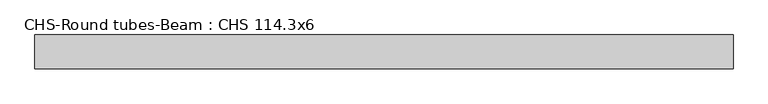
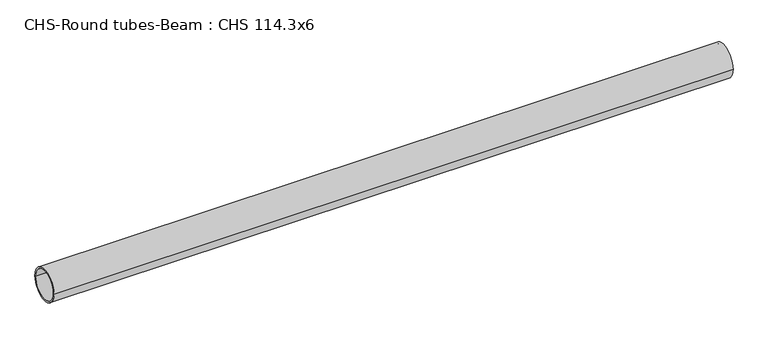
"""IFC4 building model written with IfcOpenShell, lengths in millimetres: beam geometry, CHS-Round tubes-Beam : CHS 114.3x6."""

import ifcopenshell
import ifcopenshell.guid

model = None  # the IFC model being written
_history = None  # IfcOwnerHistory: only IFC2X3 demands one
_inside = {}  # id of a spatial element -> (the spatial element, [elements in it])
_under = {}  # id of a project, library or spatial element -> (it, [spatial elements below it])
_declared = {}  # id of a project -> (the project, [libraries it declares])
_typed = {}  # id of a type object -> (the type object, [elements of that type])
_made_of = {}  # id of a material, layer set ... -> (it, [elements and type objects made of it])


def new_model(schema):
    """Start an empty IFC model of exactly this schema.

    Asked for "IFC4X3", IfcOpenShell would pick the latest addendum, in which some entities
    have other attributes; the version numbers below select the first issue.
    IFC2X3 requires an IfcOwnerHistory on every rooted entity: one is made here for all.
    """
    global model, _history
    if schema == "IFC4X3":
        model = ifcopenshell.file(schema_version=(4, 3, 0, 0))
    else:
        model = ifcopenshell.file(schema=schema)
    _inside.clear()
    _under.clear()
    _declared.clear()
    _typed.clear()
    _made_of.clear()
    _history = None
    if model.schema == "IFC2X3":
        org = make("IfcOrganization", Name="unknown")
        user = make(
            "IfcPersonAndOrganization",
            ThePerson=make("IfcPerson", FamilyName="unknown"),
            TheOrganization=org,
        )
        app = make(
            "IfcApplication",
            ApplicationDeveloper=org,
            Version="unknown",
            ApplicationFullName="unknown",
            ApplicationIdentifier="unknown",
        )
        _history = make(
            "IfcOwnerHistory",
            OwningUser=user,
            OwningApplication=app,
            ChangeAction="ADDED",
            CreationDate=0,
        )
    return model


def make(cls, **values):
    """One entity of the class cls with the attributes given. An attribute that is None is left unset."""
    return model.create_entity(
        cls, **{name: value for name, value in values.items() if value is not None}
    )


def rooted(cls, **values):
    """An entity with a GlobalId (a new one), such as an element, a storey or a relation."""
    return make(cls, GlobalId=ifcopenshell.guid.new(), OwnerHistory=_history, **values)


def si_unit(unit_type, name, prefix=None):
    """IfcSIUnit, for example si_unit("LENGTHUNIT", "METRE", prefix="MILLI")."""
    return make("IfcSIUnit", UnitType=unit_type, Prefix=prefix, Name=name)


def assignment(units):
    """IfcUnitAssignment: the units of a project."""
    return None if units is None else make("IfcUnitAssignment", Units=units)


def point(xyz):
    """IfcCartesianPoint."""
    return None if xyz is None else make("IfcCartesianPoint", Coordinates=xyz)


def direction(xyz):
    """IfcDirection."""
    return None if xyz is None else make("IfcDirection", DirectionRatios=xyz)


def frame(location, z_axis=None, x_axis=None):
    """IfcAxis2Placement3D, a coordinate frame: its origin and axes. An axis left out is left unset."""
    return make(
        "IfcAxis2Placement3D",
        Location=point(location),
        Axis=direction(z_axis),
        RefDirection=direction(x_axis),
    )


def frame_2d(location, x_axis=None):
    """IfcAxis2Placement2D, a coordinate frame in the plane: its origin and x axis."""
    return make(
        "IfcAxis2Placement2D", Location=point(location), RefDirection=direction(x_axis)
    )


def origin():
    """The frame at (0, 0, 0) with its axes left unset."""
    return frame((0.0, 0.0, 0.0))


def origin_2d():
    """The frame at (0, 0) in the plane with its x axis left unset."""
    return frame_2d((0.0, 0.0))


def place(relative_to, where):
    """IfcLocalPlacement: puts the frame where relative to a parent placement (None: the world)."""
    return make(
        "IfcLocalPlacement", PlacementRelTo=relative_to, RelativePlacement=where
    )


def context(
    kind, dimensions, precision=None, world=None, true_north=None, identifier=None
):
    """IfcGeometricRepresentationContext, for example the 3D "Model" context."""
    return make(
        "IfcGeometricRepresentationContext",
        ContextIdentifier=identifier,
        ContextType=kind,
        CoordinateSpaceDimension=dimensions,
        Precision=precision,
        WorldCoordinateSystem=world,
        TrueNorth=true_north,
    )


def project(units=None, contexts=None):
    """IfcProject with its units and contexts."""
    return rooted(
        "IfcProject",
        Name="project",
        RepresentationContexts=contexts,
        UnitsInContext=assignment(units),
    )


def spatial(cls, under=None, at=None, **own):
    """A site, building, storey or space (cls), placed at a placement, below another one or the project."""
    s = rooted(cls, ObjectPlacement=at, **own)
    if under is not None:
        _under.setdefault(under.id(), (under, []))[1].append(s)
    return s


def circle_curve(where, radius):
    """IfcCircle in the frame where."""
    return make("IfcCircle", Position=where, Radius=radius)


def trimmed(basis, trim1, trim2, sense, master):
    """IfcTrimmedCurve: the piece of a basis curve between two trims."""
    return make(
        "IfcTrimmedCurve",
        BasisCurve=basis,
        Trim1=trim1,
        Trim2=trim2,
        SenseAgreement=sense,
        MasterRepresentation=master,
    )


def segment(curve, same_sense, transition):
    """IfcCompositeCurveSegment."""
    return make(
        "IfcCompositeCurveSegment",
        Transition=transition,
        SameSense=same_sense,
        ParentCurve=curve,
    )


def composite_curve(segments, self_intersect=None):
    """IfcCompositeCurve: segments joined end to end."""
    return make("IfcCompositeCurve", Segments=segments, SelfIntersect=self_intersect)


def outline(outer, holes=None, kind="AREA"):
    """IfcArbitraryClosedProfileDef: a profile drawn as a closed curve; with holes, ...WithVoids."""
    if holes is None:
        return make("IfcArbitraryClosedProfileDef", ProfileType=kind, OuterCurve=outer)
    return make(
        "IfcArbitraryProfileDefWithVoids",
        ProfileType=kind,
        OuterCurve=outer,
        InnerCurves=holes,
    )


def extrude(swept, where, along, depth):
    """IfcExtrudedAreaSolid: the profile swept, set in the frame where, extruded along a direction by depth."""
    return make(
        "IfcExtrudedAreaSolid",
        SweptArea=swept,
        Position=where,
        ExtrudedDirection=direction(along),
        Depth=depth,
    )


def shape(context_of_items, identifier, shape_type, items):
    """IfcShapeRepresentation: the items that make up one representation, for example the "Body"."""
    return make(
        "IfcShapeRepresentation",
        ContextOfItems=context_of_items,
        RepresentationIdentifier=identifier,
        RepresentationType=shape_type,
        Items=items,
    )


def source(mapping_origin, context_of_items, identifier, shape_type, items):
    """IfcRepresentationMap: a shape defined once, which mapped items show again and again."""
    return make(
        "IfcRepresentationMap",
        MappingOrigin=mapping_origin,
        MappedRepresentation=shape(context_of_items, identifier, shape_type, items),
    )


def transform(
    local_origin,
    x_axis=None,
    y_axis=None,
    z_axis=None,
    scale=None,
    scale2=None,
    scale3=None,
    uniform=True,
):
    """IfcCartesianTransformationOperator3D, or its non-uniform kind. x_axis, y_axis, z_axis: its Axis1, 2, 3."""
    if uniform:
        return make(
            "IfcCartesianTransformationOperator3D",
            Axis1=direction(x_axis),
            Axis2=direction(y_axis),
            LocalOrigin=point(local_origin),
            Scale=scale,
            Axis3=direction(z_axis),
        )
    return make(
        "IfcCartesianTransformationOperator3DnonUniform",
        Axis1=direction(x_axis),
        Axis2=direction(y_axis),
        LocalOrigin=point(local_origin),
        Scale=scale,
        Axis3=direction(z_axis),
        Scale2=scale2,
        Scale3=scale3,
    )


def mapped(mapping_source, mapping_target):
    """IfcMappedItem: shows the shape of a source again, moved by a transform."""
    return make(
        "IfcMappedItem", MappingSource=mapping_source, MappingTarget=mapping_target
    )


def made_of(thing, what):
    """Note that an element or type object is made of a material, layer set ...; save() writes the relation."""
    if what is not None:
        _made_of.setdefault(what.id(), (what, []))[1].append(thing)
    return thing


def element(
    cls,
    number,
    at=None,
    inside=None,
    cuts=None,
    type_object=None,
    material=None,
    context=None,
    identifier="Body",
    shape_type=None,
    held_by="IfcProductDefinitionShape",
    body=None,
    shapes=None,
    **own,
):
    """One element of the class cls, such as IfcWall. Its Tag is "e" and its number.

    at: its placement. inside: the storey or other place that contains it. cuts: it is an
    opening in that element (IfcRelVoidsElement). A single representation is given by context,
    identifier, shape_type and body (its items); several are given by shapes. held_by: the class
    of the entity that holds the representations. save() writes the other relations.
    """
    e = rooted(cls, Tag="e%d" % number, ObjectPlacement=at, **own)
    if body is not None:
        shapes = [shape(context, identifier, shape_type, body)]
    if shapes is not None:
        e.Representation = make(held_by, Representations=shapes)
    if inside is not None:
        _inside.setdefault(inside.id(), (inside, []))[1].append(e)
    if cuts is not None:
        rooted(
            "IfcRelVoidsElement", RelatingBuildingElement=cuts, RelatedOpeningElement=e
        )
    if type_object is not None:
        _typed.setdefault(type_object.id(), (type_object, []))[1].append(e)
    return made_of(e, material)


def aggregate(whole, parts):
    """IfcRelAggregates: a whole, such as a stair, and the parts it consists of."""
    return rooted("IfcRelAggregates", RelatingObject=whole, RelatedObjects=parts)


def save(model, path):
    """Write the relations noted so far, then the file.

    IfcRelAggregates (storeys below a building ...), IfcRelContainedInSpatialStructure (elements
    in a storey), IfcRelDefinesByType, IfcRelAssociatesMaterial and IfcRelDeclares: one each for
    every whole, place, type object, material and project.
    """
    for whole, parts in _under.values():
        aggregate(whole, parts)
    for where, things in _inside.values():
        rooted(
            "IfcRelContainedInSpatialStructure",
            RelatedElements=things,
            RelatingStructure=where,
        )
    for kind, things in _typed.values():
        rooted("IfcRelDefinesByType", RelatedObjects=things, RelatingType=kind)
    for what, things in _made_of.values():
        rooted("IfcRelAssociatesMaterial", RelatedObjects=things, RelatingMaterial=what)
    for by, libraries in _declared.values():
        rooted("IfcRelDeclares", RelatingContext=by, RelatedDefinitions=libraries)
    model.write(path)


def chs_round_tubes_beam_chs_114_3x6_35b114e6(model_context):
    return source(origin(), model_context, "Body", "SweptSolid", [
        extrude(outline(composite_curve([segment(trimmed(circle_curve(origin_2d(), 57.15), [point((57.15, 0.0))], [point((-57.15, 0.0))], False, "CARTESIAN"), True, "CONTINUOUS"), segment(trimmed(circle_curve(origin_2d(), 57.15), [point((-57.15, 0.0))], [point((57.15, 0.0))], False, "CARTESIAN"), True, "CONTINUOUS")], self_intersect=False), holes=[composite_curve([segment(trimmed(circle_curve(origin_2d(), 51.15), [point((51.15, 0.0))], [point((-51.15, 0.0))], True, "CARTESIAN"), True, "CONTINUOUS"), segment(trimmed(circle_curve(origin_2d(), 51.15), [point((-51.15, 0.0))], [point((51.15, 0.0))], True, "CARTESIAN"), True, "CONTINUOUS")], self_intersect=False)]), frame((-1157.7467244, 0.0, 0.0), z_axis=(1.0, 0.0, 0.0), x_axis=(0.0, 1.0, 0.0)), (0.0, 0.0, 1.0), 2360.0279317),
    ])


if __name__ == "__main__":
    model = new_model("IFC4")
    model_context = context("Model", 3, world=origin())
    ifc_project = project(units=[si_unit("LENGTHUNIT", "METRE", prefix="MILLI")], contexts=[model_context])
    site = spatial("IfcSite", under=ifc_project)
    building = spatial("IfcBuilding", under=site)
    placement = place(None, origin())
    chs_round_tubes_beam_chs_114_3x6_shape = chs_round_tubes_beam_chs_114_3x6_35b114e6(model_context)
    element("IfcBeam", 1, ObjectType="CHS-Round tubes-Beam : CHS 114.3x6", at=placement, inside=building, context=model_context, shape_type="MappedRepresentation", body=[
        mapped(chs_round_tubes_beam_chs_114_3x6_shape, transform((0.0, 0.0, 0.0), x_axis=(1.0, 0.0, 0.0), y_axis=(0.0, 1.0, 0.0), z_axis=(0.0, 0.0, 1.0))),
    ])
    save(model, "model.ifc")
